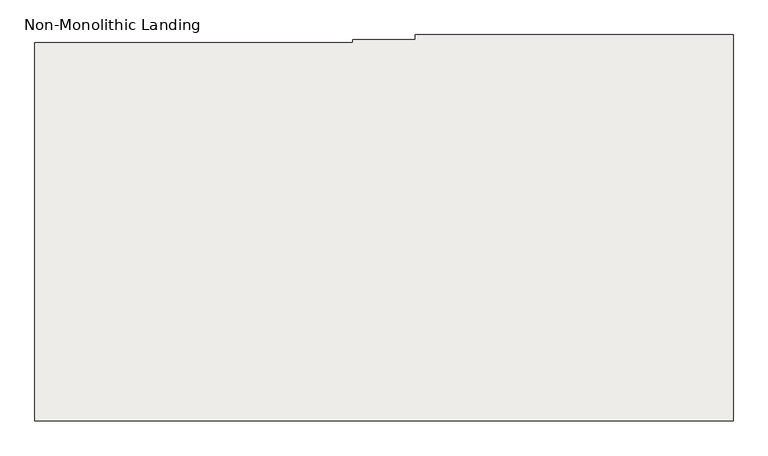
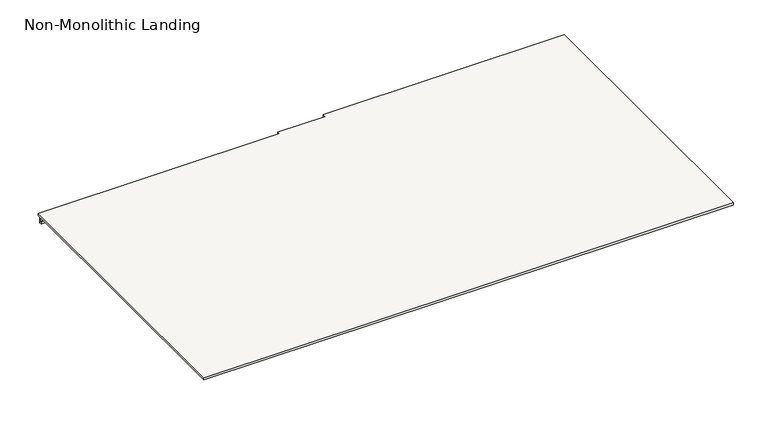
"""IFC4 building model written with IfcOpenShell, lengths in millimetres: slab geometry, Non-Monolithic Landing."""

from ifc_helpers import new_model, si_unit, origin, place, context, project, spatial, faceted_brep, source, transform, mapped, element, save


def non_monolithic_landing_1ef860bb(model_context):
    return source(origin(), model_context, "Body", "Brep", [
        faceted_brep([(-6858.8300828, -294.2346869, 3979.7647059), (-6858.8300828, -279.2346869, 3979.7647059), (-7858.8300828, -279.2346869, 3979.7647059), (-7858.8300828, -294.2346869, 3979.7647059), (-8055.3300828, -294.2346869, 3979.7647059), (-8055.3300828, -304.2346869, 3979.7647059), (-9055.3300828, -304.2346869, 3979.7647059), (-9055.3300828, -1494.2346869, 3979.7647059), (-6858.8300828, -1494.2346869, 3979.7647059), (-6858.8300828, -279.2346869, 3969.7647059), (-6858.8300828, -294.2346869, 3969.7647059), (-6858.8300828, -1494.2346869, 3969.7647059), (-9055.3300828, -1494.2346869, 3969.7647059), (-9055.3300828, -317.5290413, 3969.7647059), (-8055.3300828, -317.5290413, 3969.7647059), (-8055.3300828, -314.2346869, 3969.7647059), (-9055.3300828, -314.2346869, 3969.7647059), (-9055.3300828, -304.2346869, 3969.7647059), (-8055.3300828, -304.2346869, 3969.7647059), (-8055.3300828, -294.2346869, 3969.7647059), (-7858.8300828, -294.2346869, 3969.7647059), (-7858.8300828, -279.2346869, 3969.7647059), (-9055.3300828, -314.2346869, 3943.8840866), (-9055.3300828, -323.429009, 3943.8840866), (-9055.3300828, -323.429009, 3953.1427353), (-9055.3300828, -317.5290413, 3953.1297322), (-8055.3300828, -323.429009, 3943.8840866), (-8055.3300828, -314.2346869, 3943.8840866), (-8055.3300828, -317.5290413, 3953.1297322), (-8055.3300828, -323.429009, 3953.1427353)], [[[0, 1, 2, 3, 4, 5, 6, 7, 8]], [[9, 10, 11, 12, 13, 14, 15, 16, 17, 18, 19, 20, 21]], [[6, 17, 16, 22, 23, 24, 25, 13, 12, 7]], [[8, 7, 12, 11]], [[0, 8, 11, 10]], [[4, 3, 20, 19]], [[2, 1, 9, 21]], [[1, 0, 10, 9]], [[3, 2, 21, 20]], [[6, 5, 18, 17]], [[26, 27, 15, 14, 28, 29]], [[27, 22, 16, 15]], [[23, 22, 27, 26]], [[24, 23, 26, 29]], [[25, 24, 29, 28]], [[25, 28, 14, 13]], [[5, 4, 19, 18]]]),
    ])


if __name__ == "__main__":
    model = new_model("IFC4")
    model_context = context("Model", 3, world=origin())
    ifc_project = project(units=[si_unit("LENGTHUNIT", "METRE", prefix="MILLI")], contexts=[model_context])
    site = spatial("IfcSite", under=ifc_project)
    building = spatial("IfcBuilding", under=site)
    placement = place(None, origin())
    non_monolithic_landing_shape = non_monolithic_landing_1ef860bb(model_context)
    element("IfcSlab", 1, ObjectType="Non-Monolithic Landing", at=placement, inside=building, context=model_context, shape_type="MappedRepresentation", body=[
        mapped(non_monolithic_landing_shape, transform((0.0, 0.0, 0.0), x_axis=(1.0, 0.0, 0.0), y_axis=(0.0, 1.0, 0.0), z_axis=(0.0, 0.0, 1.0))),
    ])
    save(model, "model.ifc")
